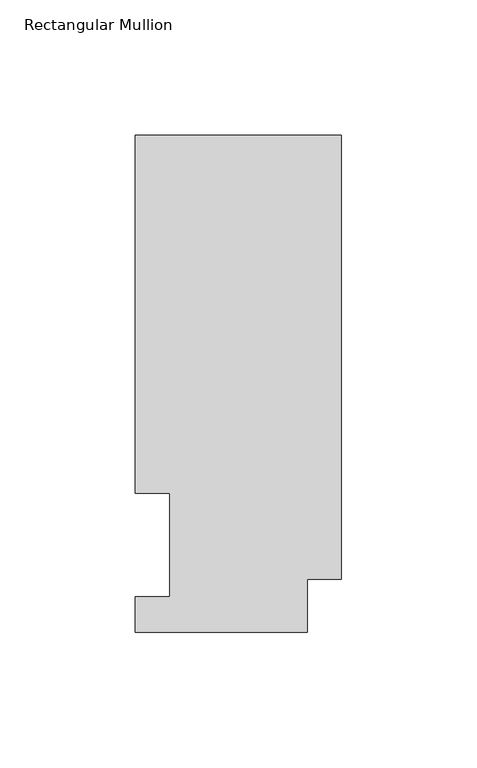
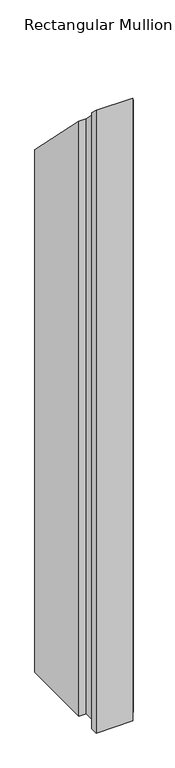
"""IFC4 building model written with IfcOpenShell, lengths in millimetres: member geometry, Rectangular Mullion."""

from ifc_helpers import new_model, si_unit, origin, place, context, project, spatial, faceted_brep, source, transform, mapped, element, save


def rectangular_mullion_571aab94(model_context):
    return source(origin(), model_context, "Body", "Brep", [
        faceted_brep([(-76.2000004, 183.6764448, -1143.0134938), (0.0, 183.6764448, -1143.0134938), (0.0, 19.5670448, -1143.0134938), (-12.7, 19.5670448, -1143.0134938), (-12.7, 0.0344448, -1143.0134938), (-76.2, 0.0344446, -1143.0134938), (-76.2, 13.2170446, -1143.0134938), (-63.5127001, 13.2170446, -1143.0134938), (-63.5127002, 51.2960938, -1143.0134938), (-76.2000004, 51.2960938, -1143.0134938), (-76.2000004, 183.6764448, -183.6764448), (0.0, 183.6764448, -183.6764448), (0.0, 19.5670448, -19.5670448), (-12.7, 19.5670448, -19.5670448), (-12.7, 0.0344448, -0.0344448), (-76.2, 0.0344446, -0.0344446), (-76.2, 13.2170446, -13.2170446), (-63.5127001, 13.2170446, -13.2170446), (-63.5127002, 51.2960938, -51.2960937), (-76.2000004, 51.2960938, -51.2960937)], [[[0, 1, 2, 3, 4, 5, 6, 7, 8, 9]], [[10, 11, 1, 0]], [[11, 12, 2, 1]], [[12, 13, 3, 2]], [[13, 14, 4, 3]], [[14, 15, 5, 4]], [[15, 16, 6, 5]], [[16, 17, 7, 6]], [[17, 18, 8, 7]], [[18, 19, 9, 8]], [[19, 10, 0, 9]], [[10, 19, 18, 17, 16, 15, 14, 13, 12, 11]]]),
    ])


if __name__ == "__main__":
    model = new_model("IFC4")
    model_context = context("Model", 3, world=origin())
    ifc_project = project(units=[si_unit("LENGTHUNIT", "METRE", prefix="MILLI")], contexts=[model_context])
    site = spatial("IfcSite", under=ifc_project)
    building = spatial("IfcBuilding", under=site)
    placement = place(None, origin())
    rectangular_mullion_shape = rectangular_mullion_571aab94(model_context)
    element("IfcMember", 1, ObjectType="Rectangular Mullion", at=placement, inside=building, context=model_context, shape_type="MappedRepresentation", body=[
        mapped(rectangular_mullion_shape, transform((0.0, 0.0, 0.0), x_axis=(1.0, 0.0, 0.0), y_axis=(0.0, 1.0, 0.0), z_axis=(0.0, 0.0, 1.0))),
    ])
    save(model, "model.ifc")
